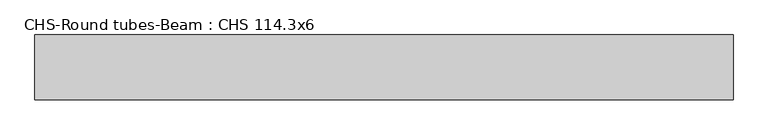
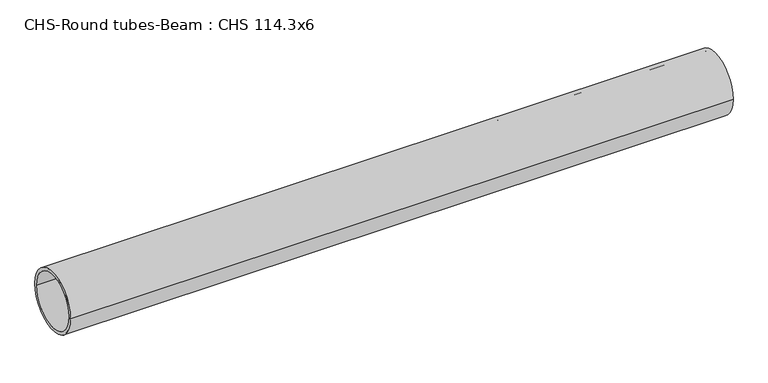
"""IFC4 building model written with IfcOpenShell, lengths in millimetres: beam geometry, CHS-Round tubes-Beam : CHS 114.3x6."""

from ifc_helpers import new_model, si_unit, point, frame, origin, origin_2d, place, context, project, spatial, circle_curve, trimmed, segment, composite_curve, outline, extrude, source, transform, mapped, element, save


def chs_round_tubes_beam_chs_114_3x6_1e6606bf(model_context):
    return source(origin(), model_context, "Body", "SweptSolid", [
        extrude(outline(composite_curve([segment(trimmed(circle_curve(origin_2d(), 57.15), [point((57.15, 0.0))], [point((-57.15, 0.0))], False, "CARTESIAN"), True, "CONTINUOUS"), segment(trimmed(circle_curve(origin_2d(), 57.15), [point((-57.15, 0.0))], [point((57.15, 0.0))], False, "CARTESIAN"), True, "CONTINUOUS")], self_intersect=False), holes=[composite_curve([segment(trimmed(circle_curve(origin_2d(), 51.15), [point((51.15, 0.0))], [point((-51.15, 0.0))], True, "CARTESIAN"), True, "CONTINUOUS"), segment(trimmed(circle_curve(origin_2d(), 51.15), [point((-51.15, 0.0))], [point((51.15, 0.0))], True, "CARTESIAN"), True, "CONTINUOUS")], self_intersect=False)]), frame((-615.4885726, 0.0, 0.0), z_axis=(1.0, 0.0, 0.0), x_axis=(0.0, 1.0, 0.0)), (0.0, 0.0, 1.0), 1230.9825444),
    ])


if __name__ == "__main__":
    model = new_model("IFC4")
    model_context = context("Model", 3, world=origin())
    ifc_project = project(units=[si_unit("LENGTHUNIT", "METRE", prefix="MILLI")], contexts=[model_context])
    site = spatial("IfcSite", under=ifc_project)
    building = spatial("IfcBuilding", under=site)
    placement = place(None, origin())
    chs_round_tubes_beam_chs_114_3x6_shape = chs_round_tubes_beam_chs_114_3x6_1e6606bf(model_context)
    element("IfcBeam", 1, ObjectType="CHS-Round tubes-Beam : CHS 114.3x6", at=placement, inside=building, context=model_context, shape_type="MappedRepresentation", body=[
        mapped(chs_round_tubes_beam_chs_114_3x6_shape, transform((0.0, 0.0, 0.0), x_axis=(1.0, 0.0, 0.0), y_axis=(0.0, 1.0, 0.0), z_axis=(0.0, 0.0, 1.0))),
    ])
    save(model, "model.ifc")
